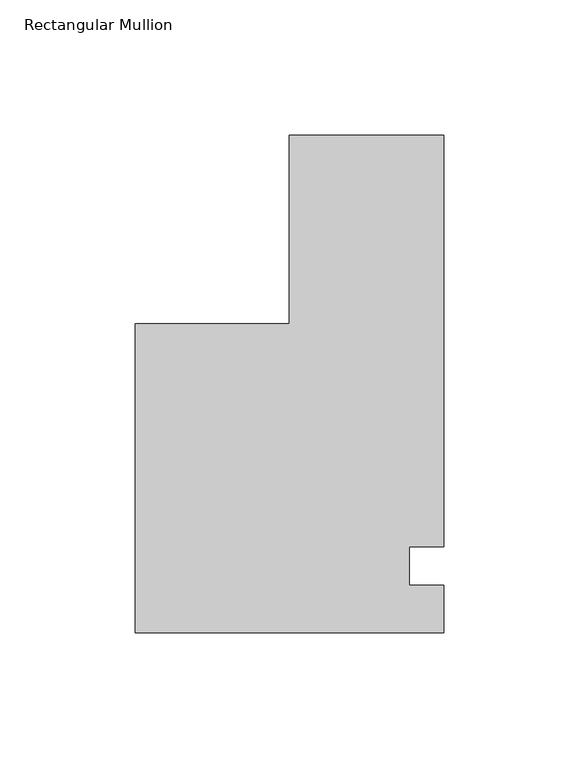
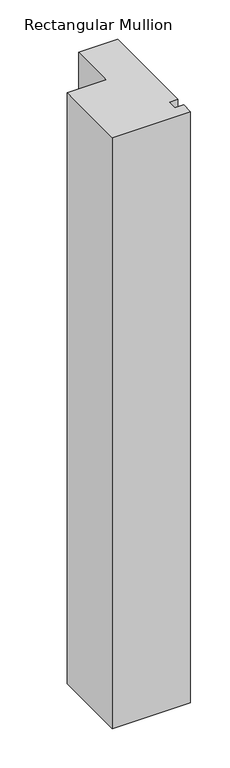
"""IFC4 building model written with IfcOpenShell, lengths in millimetres: member geometry, Rectangular Mullion."""

from ifc_helpers import new_model, si_unit, frame, origin, place, context, project, spatial, polyline, outline, extrude, source, transform, mapped, element, save


def rectangular_mullion_340e9291(model_context):
    return source(origin(), model_context, "Body", "SweptSolid", [
        extrude(outline(polyline([(32.9094027, 159.54375), (32.9094027, 7.14375), (20.2076322, 7.14375), (20.2076322, -7.14375), (32.9094027, -7.14375), (32.9094027, -24.60625), (-81.3825709, -24.60625), (-81.3825709, 89.69375), (-24.2405973, 89.69375), (-24.2405973, 159.54375), (32.9094027, 159.54375)])), frame((0.0, 0.0, -913.2405973), z_axis=(0.0, 0.0, 1.0), x_axis=(1.0, 0.0, 0.0)), (0.0, 0.0, 1.0), 913.2405973),
    ])


if __name__ == "__main__":
    model = new_model("IFC4")
    model_context = context("Model", 3, world=origin())
    ifc_project = project(units=[si_unit("LENGTHUNIT", "METRE", prefix="MILLI")], contexts=[model_context])
    site = spatial("IfcSite", under=ifc_project)
    building = spatial("IfcBuilding", under=site)
    placement = place(None, origin())
    rectangular_mullion_shape = rectangular_mullion_340e9291(model_context)
    element("IfcMember", 1, ObjectType="Rectangular Mullion", at=placement, inside=building, context=model_context, shape_type="MappedRepresentation", body=[
        mapped(rectangular_mullion_shape, transform((0.0, 0.0, 0.0), x_axis=(1.0, 0.0, 0.0), y_axis=(0.0, 1.0, 0.0), z_axis=(0.0, 0.0, 1.0))),
    ])
    save(model, "model.ifc")
